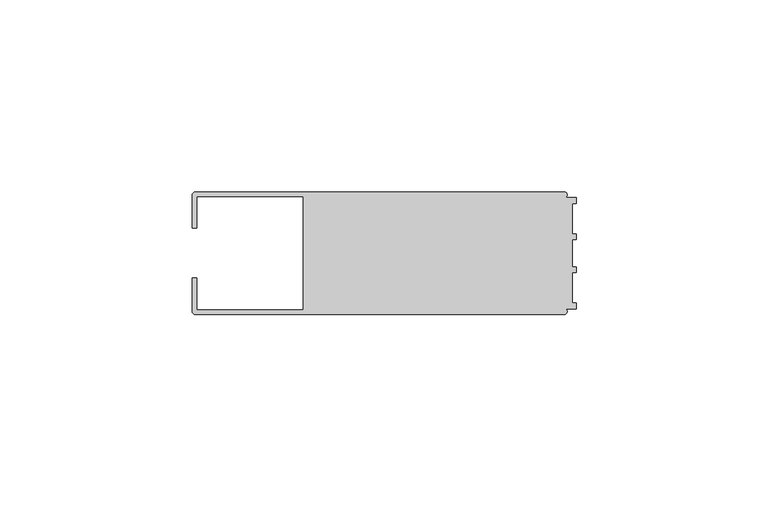
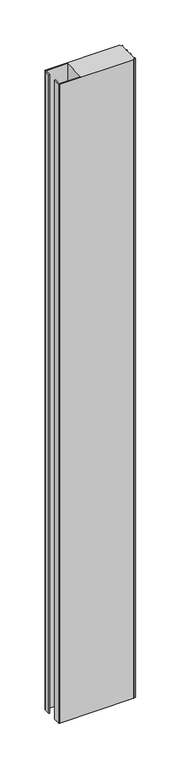
"""IFC4 building model written with IfcOpenShell, lengths in millimetres: member geometry."""

import ifcopenshell
import ifcopenshell.guid

model = None  # the IFC model being written
_history = None  # IfcOwnerHistory: only IFC2X3 demands one
_inside = {}  # id of a spatial element -> (the spatial element, [elements in it])
_under = {}  # id of a project, library or spatial element -> (it, [spatial elements below it])
_declared = {}  # id of a project -> (the project, [libraries it declares])
_typed = {}  # id of a type object -> (the type object, [elements of that type])
_made_of = {}  # id of a material, layer set ... -> (it, [elements and type objects made of it])


def new_model(schema):
    """Start an empty IFC model of exactly this schema.

    Asked for "IFC4X3", IfcOpenShell would pick the latest addendum, in which some entities
    have other attributes; the version numbers below select the first issue.
    IFC2X3 requires an IfcOwnerHistory on every rooted entity: one is made here for all.
    """
    global model, _history
    if schema == "IFC4X3":
        model = ifcopenshell.file(schema_version=(4, 3, 0, 0))
    else:
        model = ifcopenshell.file(schema=schema)
    _inside.clear()
    _under.clear()
    _declared.clear()
    _typed.clear()
    _made_of.clear()
    _history = None
    if model.schema == "IFC2X3":
        org = make("IfcOrganization", Name="unknown")
        user = make(
            "IfcPersonAndOrganization",
            ThePerson=make("IfcPerson", FamilyName="unknown"),
            TheOrganization=org,
        )
        app = make(
            "IfcApplication",
            ApplicationDeveloper=org,
            Version="unknown",
            ApplicationFullName="unknown",
            ApplicationIdentifier="unknown",
        )
        _history = make(
            "IfcOwnerHistory",
            OwningUser=user,
            OwningApplication=app,
            ChangeAction="ADDED",
            CreationDate=0,
        )
    return model


def make(cls, **values):
    """One entity of the class cls with the attributes given. An attribute that is None is left unset."""
    return model.create_entity(
        cls, **{name: value for name, value in values.items() if value is not None}
    )


def rooted(cls, **values):
    """An entity with a GlobalId (a new one), such as an element, a storey or a relation."""
    return make(cls, GlobalId=ifcopenshell.guid.new(), OwnerHistory=_history, **values)


def si_unit(unit_type, name, prefix=None):
    """IfcSIUnit, for example si_unit("LENGTHUNIT", "METRE", prefix="MILLI")."""
    return make("IfcSIUnit", UnitType=unit_type, Prefix=prefix, Name=name)


def assignment(units):
    """IfcUnitAssignment: the units of a project."""
    return None if units is None else make("IfcUnitAssignment", Units=units)


def point(xyz):
    """IfcCartesianPoint."""
    return None if xyz is None else make("IfcCartesianPoint", Coordinates=xyz)


def direction(xyz):
    """IfcDirection."""
    return None if xyz is None else make("IfcDirection", DirectionRatios=xyz)


def frame(location, z_axis=None, x_axis=None):
    """IfcAxis2Placement3D, a coordinate frame: its origin and axes. An axis left out is left unset."""
    return make(
        "IfcAxis2Placement3D",
        Location=point(location),
        Axis=direction(z_axis),
        RefDirection=direction(x_axis),
    )


def frame_2d(location, x_axis=None):
    """IfcAxis2Placement2D, a coordinate frame in the plane: its origin and x axis."""
    return make(
        "IfcAxis2Placement2D", Location=point(location), RefDirection=direction(x_axis)
    )


def origin():
    """The frame at (0, 0, 0) with its axes left unset."""
    return frame((0.0, 0.0, 0.0))


def place(relative_to, where):
    """IfcLocalPlacement: puts the frame where relative to a parent placement (None: the world)."""
    return make(
        "IfcLocalPlacement", PlacementRelTo=relative_to, RelativePlacement=where
    )


def context(
    kind, dimensions, precision=None, world=None, true_north=None, identifier=None
):
    """IfcGeometricRepresentationContext, for example the 3D "Model" context."""
    return make(
        "IfcGeometricRepresentationContext",
        ContextIdentifier=identifier,
        ContextType=kind,
        CoordinateSpaceDimension=dimensions,
        Precision=precision,
        WorldCoordinateSystem=world,
        TrueNorth=true_north,
    )


def project(units=None, contexts=None):
    """IfcProject with its units and contexts."""
    return rooted(
        "IfcProject",
        Name="project",
        RepresentationContexts=contexts,
        UnitsInContext=assignment(units),
    )


def spatial(cls, under=None, at=None, **own):
    """A site, building, storey or space (cls), placed at a placement, below another one or the project."""
    s = rooted(cls, ObjectPlacement=at, **own)
    if under is not None:
        _under.setdefault(under.id(), (under, []))[1].append(s)
    return s


def polyline(points):
    """IfcPolyline through the points."""
    return make("IfcPolyline", Points=[point(p) for p in points])


def circle_curve(where, radius):
    """IfcCircle in the frame where."""
    return make("IfcCircle", Position=where, Radius=radius)


def trimmed(basis, trim1, trim2, sense, master):
    """IfcTrimmedCurve: the piece of a basis curve between two trims."""
    return make(
        "IfcTrimmedCurve",
        BasisCurve=basis,
        Trim1=trim1,
        Trim2=trim2,
        SenseAgreement=sense,
        MasterRepresentation=master,
    )


def segment(curve, same_sense, transition):
    """IfcCompositeCurveSegment."""
    return make(
        "IfcCompositeCurveSegment",
        Transition=transition,
        SameSense=same_sense,
        ParentCurve=curve,
    )


def composite_curve(segments, self_intersect=None):
    """IfcCompositeCurve: segments joined end to end."""
    return make("IfcCompositeCurve", Segments=segments, SelfIntersect=self_intersect)


def outline(outer, holes=None, kind="AREA"):
    """IfcArbitraryClosedProfileDef: a profile drawn as a closed curve; with holes, ...WithVoids."""
    if holes is None:
        return make("IfcArbitraryClosedProfileDef", ProfileType=kind, OuterCurve=outer)
    return make(
        "IfcArbitraryProfileDefWithVoids",
        ProfileType=kind,
        OuterCurve=outer,
        InnerCurves=holes,
    )


def extrude(swept, where, along, depth):
    """IfcExtrudedAreaSolid: the profile swept, set in the frame where, extruded along a direction by depth."""
    return make(
        "IfcExtrudedAreaSolid",
        SweptArea=swept,
        Position=where,
        ExtrudedDirection=direction(along),
        Depth=depth,
    )


def shape(context_of_items, identifier, shape_type, items):
    """IfcShapeRepresentation: the items that make up one representation, for example the "Body"."""
    return make(
        "IfcShapeRepresentation",
        ContextOfItems=context_of_items,
        RepresentationIdentifier=identifier,
        RepresentationType=shape_type,
        Items=items,
    )


def source(mapping_origin, context_of_items, identifier, shape_type, items):
    """IfcRepresentationMap: a shape defined once, which mapped items show again and again."""
    return make(
        "IfcRepresentationMap",
        MappingOrigin=mapping_origin,
        MappedRepresentation=shape(context_of_items, identifier, shape_type, items),
    )


def transform(
    local_origin,
    x_axis=None,
    y_axis=None,
    z_axis=None,
    scale=None,
    scale2=None,
    scale3=None,
    uniform=True,
):
    """IfcCartesianTransformationOperator3D, or its non-uniform kind. x_axis, y_axis, z_axis: its Axis1, 2, 3."""
    if uniform:
        return make(
            "IfcCartesianTransformationOperator3D",
            Axis1=direction(x_axis),
            Axis2=direction(y_axis),
            LocalOrigin=point(local_origin),
            Scale=scale,
            Axis3=direction(z_axis),
        )
    return make(
        "IfcCartesianTransformationOperator3DnonUniform",
        Axis1=direction(x_axis),
        Axis2=direction(y_axis),
        LocalOrigin=point(local_origin),
        Scale=scale,
        Axis3=direction(z_axis),
        Scale2=scale2,
        Scale3=scale3,
    )


def mapped(mapping_source, mapping_target):
    """IfcMappedItem: shows the shape of a source again, moved by a transform."""
    return make(
        "IfcMappedItem", MappingSource=mapping_source, MappingTarget=mapping_target
    )


def made_of(thing, what):
    """Note that an element or type object is made of a material, layer set ...; save() writes the relation."""
    if what is not None:
        _made_of.setdefault(what.id(), (what, []))[1].append(thing)
    return thing


def element(
    cls,
    number,
    at=None,
    inside=None,
    cuts=None,
    type_object=None,
    material=None,
    context=None,
    identifier="Body",
    shape_type=None,
    held_by="IfcProductDefinitionShape",
    body=None,
    shapes=None,
    **own,
):
    """One element of the class cls, such as IfcWall. Its Tag is "e" and its number.

    at: its placement. inside: the storey or other place that contains it. cuts: it is an
    opening in that element (IfcRelVoidsElement). A single representation is given by context,
    identifier, shape_type and body (its items); several are given by shapes. held_by: the class
    of the entity that holds the representations. save() writes the other relations.
    """
    e = rooted(cls, Tag="e%d" % number, ObjectPlacement=at, **own)
    if body is not None:
        shapes = [shape(context, identifier, shape_type, body)]
    if shapes is not None:
        e.Representation = make(held_by, Representations=shapes)
    if inside is not None:
        _inside.setdefault(inside.id(), (inside, []))[1].append(e)
    if cuts is not None:
        rooted(
            "IfcRelVoidsElement", RelatingBuildingElement=cuts, RelatedOpeningElement=e
        )
    if type_object is not None:
        _typed.setdefault(type_object.id(), (type_object, []))[1].append(e)
    return made_of(e, material)


def aggregate(whole, parts):
    """IfcRelAggregates: a whole, such as a stair, and the parts it consists of."""
    return rooted("IfcRelAggregates", RelatingObject=whole, RelatedObjects=parts)


def save(model, path):
    """Write the relations noted so far, then the file.

    IfcRelAggregates (storeys below a building ...), IfcRelContainedInSpatialStructure (elements
    in a storey), IfcRelDefinesByType, IfcRelAssociatesMaterial and IfcRelDeclares: one each for
    every whole, place, type object, material and project.
    """
    for whole, parts in _under.values():
        aggregate(whole, parts)
    for where, things in _inside.values():
        rooted(
            "IfcRelContainedInSpatialStructure",
            RelatedElements=things,
            RelatingStructure=where,
        )
    for kind, things in _typed.values():
        rooted("IfcRelDefinesByType", RelatedObjects=things, RelatingType=kind)
    for what, things in _made_of.values():
        rooted("IfcRelAssociatesMaterial", RelatedObjects=things, RelatingMaterial=what)
    for by, libraries in _declared.values():
        rooted("IfcRelDeclares", RelatingContext=by, RelatedDefinitions=libraries)
    model.write(path)


def member_17e6a5c1(model_context):
    return source(origin(), model_context, "Body", "SweptSolid", [
        extrude(outline(composite_curve([segment(polyline([(-100.0, 6.5), (-100.0, 14.998921)]), True, "CONTINUOUS"), segment(trimmed(circle_curve(frame_2d((-98.998921, 14.998921)), 1.001079), [point((-100.0, 14.998921))], [point((-98.998921, 16.0))], False, "CARTESIAN"), True, "CONTINUOUS"), segment(polyline([(-98.998921, 16.0), (-3.1385263, 16.0)]), True, "CONTINUOUS"), segment(trimmed(circle_curve(frame_2d((-3.1117577, 15.2001372)), 0.8003107), [point((-3.1385263, 16.0))], [point((-2.7260256, 14.4989182))], False, "CARTESIAN"), True, "CONTINUOUS"), segment(polyline([(-2.7260256, 14.4989182), (0.0, 14.4989182), (0.0, 12.9993664), (-0.999267, 12.9993664), (-0.999267, 5.0000405), (0.0, 5.0000405), (0.0, 3.5386284), (-0.999267, 3.5009282), (-0.999267, -3.5009282), (0.0, -3.5398992), (0.0, -5.0013113), (-0.999267, -5.0013113), (-0.999267, -13.0002136), (0.0, -13.0002136), (0.0, -14.5004469), (-2.7237818, -14.5004469)]), True, "CONTINUOUS"), segment(trimmed(circle_curve(frame_2d((-3.1117213, -15.2000428)), 0.7999572), [point((-2.7237818, -14.5004469))], [point((-3.1117213, -16.0))], False, "CARTESIAN"), True, "CONTINUOUS"), segment(polyline([(-3.1117213, -16.0), (-98.9988146, -16.0)]), True, "CONTINUOUS"), segment(trimmed(circle_curve(frame_2d((-98.9988146, -14.9988146)), 1.0011854), [point((-98.9988146, -16.0))], [point((-100.0, -14.9988146))], False, "CARTESIAN"), True, "CONTINUOUS"), segment(polyline([(-100.0, -14.9988146), (-100.0, -6.5002542), (-98.7495396, -6.5002542), (-98.7495396, -14.7490791), (-71.0, -14.7490791), (-71.0, 14.748825), (-98.7495396, 14.748825), (-98.7495396, 6.5), (-100.0, 6.5)]), True, "CONTINUOUS")], self_intersect=False)), frame((0.0, 0.0, -872.7561965), z_axis=(0.0, 0.0, 1.0), x_axis=(1.0, 0.0, 0.0)), (0.0, 0.0, 1.0), 872.7561965),
    ])


if __name__ == "__main__":
    model = new_model("IFC4")
    model_context = context("Model", 3, world=origin())
    ifc_project = project(units=[si_unit("LENGTHUNIT", "METRE", prefix="MILLI")], contexts=[model_context])
    site = spatial("IfcSite", under=ifc_project)
    building = spatial("IfcBuilding", under=site)
    placement = place(None, origin())
    member_shape = member_17e6a5c1(model_context)
    element("IfcMember", 1, at=placement, inside=building, context=model_context, shape_type="MappedRepresentation", body=[
        mapped(member_shape, transform((0.0, 0.0, 0.0), x_axis=(1.0, 0.0, 0.0), y_axis=(0.0, 1.0, 0.0), z_axis=(0.0, 0.0, 1.0))),
    ])
    save(model, "model.ifc")
